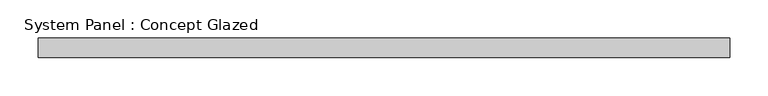
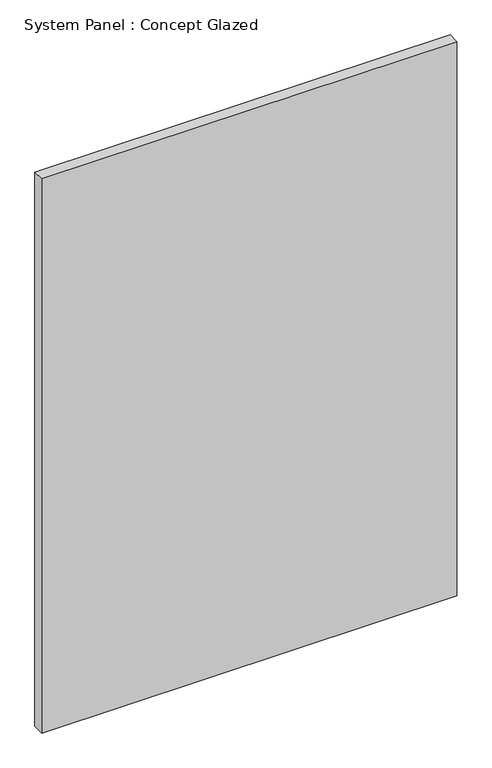
"""IFC4 building model written with IfcOpenShell, lengths in millimetres: plate geometry, System Panel : Concept Glazed."""

from ifc_helpers import new_model, si_unit, origin, origin_with_axes, place, context, project, spatial, polyline, outline, extrude, source, transform, mapped, element, save


def system_panel_concept_glazed_3c55a44d(model_context):
    return source(origin(), model_context, "Body", "SweptSolid", [
        extrude(outline(polyline([(450.625, 0.0), (-450.625, 0.0), (-450.625, 25.0), (450.625, 25.0), (450.625, 0.0)])), origin_with_axes(), (0.0, 0.0, 1.0), 1271.8941641),
    ])


if __name__ == "__main__":
    model = new_model("IFC4")
    model_context = context("Model", 3, world=origin())
    ifc_project = project(units=[si_unit("LENGTHUNIT", "METRE", prefix="MILLI")], contexts=[model_context])
    site = spatial("IfcSite", under=ifc_project)
    building = spatial("IfcBuilding", under=site)
    placement = place(None, origin())
    system_panel_concept_glazed_shape = system_panel_concept_glazed_3c55a44d(model_context)
    element("IfcPlate", 1, ObjectType="System Panel : Concept Glazed", at=placement, inside=building, context=model_context, shape_type="MappedRepresentation", body=[
        mapped(system_panel_concept_glazed_shape, transform((0.0, 0.0, 0.0), x_axis=(1.0, 0.0, 0.0), y_axis=(0.0, 1.0, 0.0), z_axis=(0.0, 0.0, 1.0))),
    ])
    save(model, "model.ifc")
